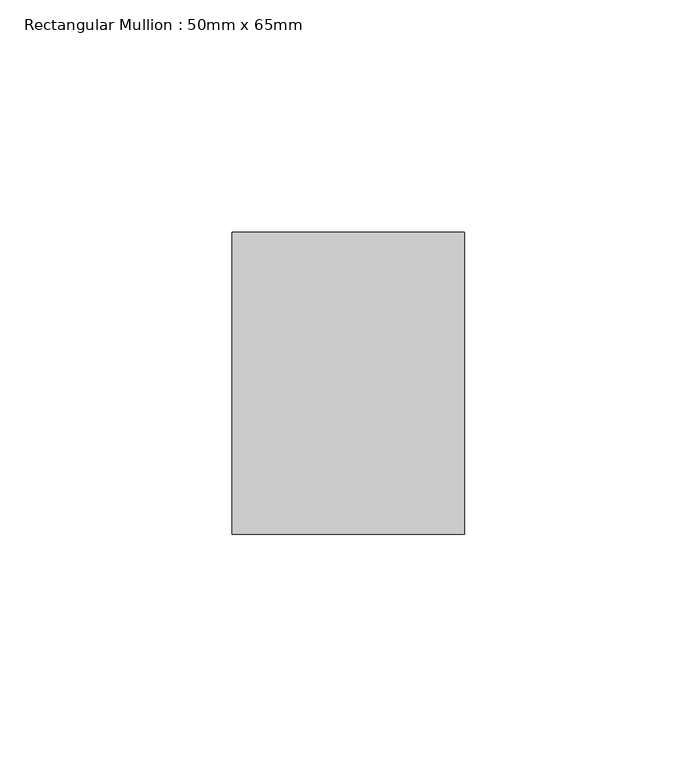
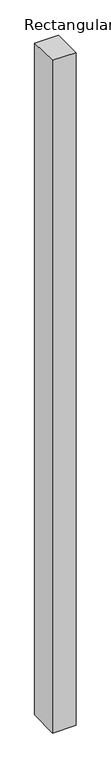
"""IFC4 building model written with IfcOpenShell, lengths in millimetres: member geometry, Rectangular Mullion : 50mm x 65mm."""

from ifc_helpers import new_model, si_unit, origin, place, context, project, spatial, faceted_brep, source, transform, mapped, element, save


def rectangular_mullion_50mm_x_65mm_3f6c679f(model_context):
    return source(origin(), model_context, "Body", "Brep", [
        faceted_brep([(-25.0, 32.5, -0.568318), (25.0, 32.5, -0.5683213), (25.0, 32.5, -1499.2873014), (-25.0, 32.5, -1499.2873055), (-25.0, -32.5, 0.5683213), (-25.0, -32.5, -1500.7127212), (25.0, -32.5, 0.568318), (25.0, -32.5, -1500.7127171)], [[[0, 1, 2, 3]], [[4, 0, 3, 5]], [[6, 4, 5, 7]], [[1, 6, 7, 2]], [[1, 0, 4, 6]], [[2, 7, 5, 3]]]),
    ])


if __name__ == "__main__":
    model = new_model("IFC4")
    model_context = context("Model", 3, world=origin())
    ifc_project = project(units=[si_unit("LENGTHUNIT", "METRE", prefix="MILLI")], contexts=[model_context])
    site = spatial("IfcSite", under=ifc_project)
    building = spatial("IfcBuilding", under=site)
    placement = place(None, origin())
    rectangular_mullion_50mm_x_65mm_shape = rectangular_mullion_50mm_x_65mm_3f6c679f(model_context)
    element("IfcMember", 1, ObjectType="Rectangular Mullion : 50mm x 65mm", at=placement, inside=building, context=model_context, shape_type="MappedRepresentation", body=[
        mapped(rectangular_mullion_50mm_x_65mm_shape, transform((0.0, 0.0, 0.0), x_axis=(1.0, 0.0, 0.0), y_axis=(0.0, 1.0, 0.0), z_axis=(0.0, 0.0, 1.0))),
    ])
    save(model, "model.ifc")
